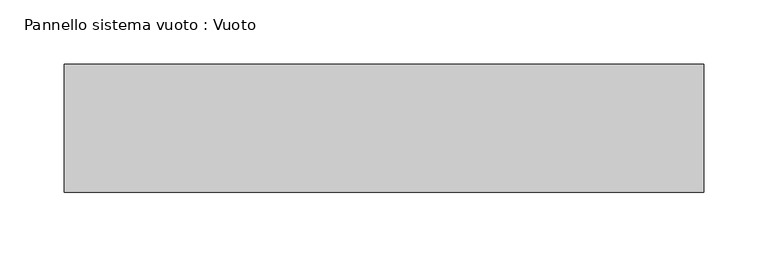
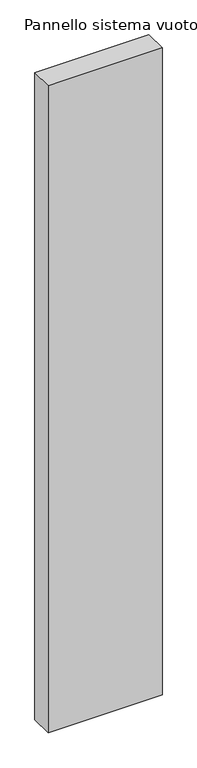
"""IFC4 building model written with IfcOpenShell, lengths in millimetres: plate geometry, Pannello sistema vuoto : Vuoto."""

from ifc_helpers import new_model, si_unit, origin, origin_with_axes, place, context, project, spatial, polyline, outline, extrude, source, transform, mapped, element, save


def pannello_sistema_vuoto_vuoto_5ec8e66b(model_context):
    return source(origin(), model_context, "Body", "SweptSolid", [
        extrude(outline(polyline([(249.75, -50.0), (-249.75, -50.0), (-249.75, 50.0), (249.75, 50.0), (249.75, -50.0)])), origin_with_axes(), (0.0, 0.0, 1.0), 3000.0),
    ])


if __name__ == "__main__":
    model = new_model("IFC4")
    model_context = context("Model", 3, world=origin())
    ifc_project = project(units=[si_unit("LENGTHUNIT", "METRE", prefix="MILLI")], contexts=[model_context])
    site = spatial("IfcSite", under=ifc_project)
    building = spatial("IfcBuilding", under=site)
    placement = place(None, origin())
    pannello_sistema_vuoto_vuoto_shape = pannello_sistema_vuoto_vuoto_5ec8e66b(model_context)
    element("IfcPlate", 1, ObjectType="Pannello sistema vuoto : Vuoto", at=placement, inside=building, context=model_context, shape_type="MappedRepresentation", body=[
        mapped(pannello_sistema_vuoto_vuoto_shape, transform((0.0, 0.0, 0.0), x_axis=(1.0, 0.0, 0.0), y_axis=(0.0, 1.0, 0.0), z_axis=(0.0, 0.0, 1.0))),
    ])
    save(model, "model.ifc")
